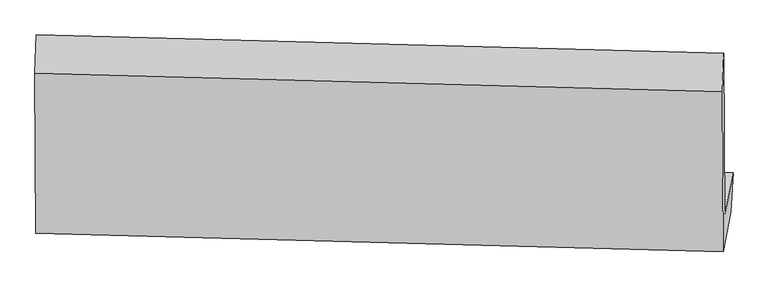
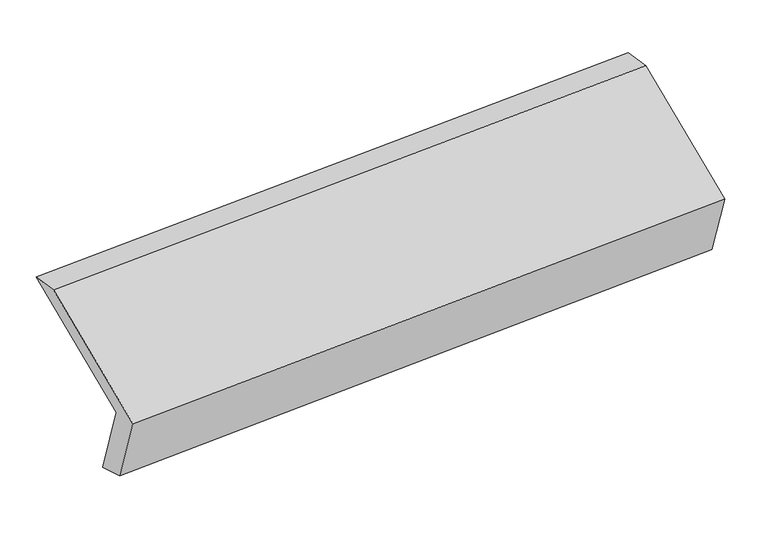
"""IFC4 building model written with IfcOpenShell, lengths in millimetres: proxy geometry."""

from ifc_helpers import new_model, si_unit, frame, origin, place, context, project, spatial, source, transform, mapped, element, save
from ifc_brep_helpers import plane_surface, spline_surface, advanced_brep


def generic_models_e6625f87(model_context):
    return source(origin(), model_context, "Body", "AdvancedBrep", [
        advanced_brep(
        [(-4286.7387679, -1494.3049403, 1423.7473513), (-4321.9381226, -1674.8372587, 1834.1863027), (-1413.3445833, -1753.4609499, 2049.0452925), (-1378.1452286, -1572.9286315, 1638.6063411), (-4295.1641766, -1656.2727862, 1479.9900479), (-1387.8894163, -1741.1094594, 1708.9728821), (-4328.6665433, -1828.1015027, 1870.641422), (-1420.1798415, -1906.7223059, 2085.4925196), (-4332.9620831, -1152.1680114, 2167.5836095), (-1423.8474606, -1230.8057882, 2382.4810918), (-4326.2924995, -989.6453394, 2135.1957806), (-1417.0624386, -1068.2862367, 2350.1017905)],
        [
            (0, 1),
            (1, 2),
            (2, 3),
            (3, 0),
            (4, 0),
            (3, 5),
            (5, 4),
            (6, 4),
            (5, 7),
            (7, 6),
            (8, 6),
            (7, 9),
            (9, 8),
            (10, 8),
            (9, 11),
            (11, 10),
            (1, 10),
            (11, 2),
        ],
        [
            plane_surface(frame((-4304.3384453, -1584.5710995, 1628.966827), z_axis=(-0.004967690987105946, 0.9155106760944249, 0.4022630035230505), x_axis=(-0.07826117652398193, -0.4013900753382589, 0.9125575026643685))),
            spline_surface(1, 1, [[(-4295.1641766, -1656.2727862, 1479.9900479), (-1387.8894163, -1741.1094594, 1708.9728821)], [(-4286.7387679, -1494.3049403, 1423.7473513), (-1378.1452286, -1572.9286315, 1638.6063411)]], [2, 2], [2, 2], [0.0, 1.0], [0.0, 1.0]),
            plane_surface(frame((-4311.91536, -1742.1871445, 1675.3157349), z_axis=(0.00496769098710944, -0.9155106760944074, -0.40226300352309047), x_axis=(0.07826117652396966, 0.4013900753382993, -0.9125575026643519))),
            plane_surface(frame((-4330.8143132, -1490.1347571, 2019.1125157), z_axis=(-0.07826117652397814, -0.401390075338298, 0.9125575026643518), x_axis=(0.004967690987118192, -0.9155106760944081, -0.4022630035230887))),
            plane_surface(frame((-4329.6272913, -1070.9066754, 2151.389695), z_axis=(-0.06690189842597419, 0.19764099724963488, 0.9779888405258879), x_axis=(-0.040909970565394645, -0.9799039885769899, 0.19522947389993395))),
            plane_surface(frame((-4324.1153111, -1332.2412991, 1984.6910417), z_axis=(0.078261176523974, 0.4013900753382596, -0.9125575026643691), x_axis=(-0.004967690987113694, 0.9155106760944249, 0.4022630035230504))),
            plane_surface(frame((-1406.7448282, -1545.5522286, 2035.7833196), z_axis=(0.9969205135292084, -0.026948272246569892, 0.07364292449098006), x_axis=(0.004967690987118192, -0.9155106760944081, -0.4022630035230887))),
            plane_surface(frame((-4315.2936989, -1465.8883065, 1818.557419), z_axis=(-0.9969159126563023, 0.026167214091260285, -0.07398607976744187), x_axis=(0.07826117652400719, 0.401390075338272, -0.9125575026643608))),
        ],
        [
            (0, [[1, 2, 3, 4]]),
            (1, [[5, -4, 6, 7]]),
            (2, [[8, -7, 9, 10]]),
            (3, [[11, -10, 12, 13]]),
            (4, [[14, -13, 15, 16]]),
            (5, [[17, -16, 18, -2]]),
            (6, [[-12, -9, -6, -3, -18, -15]]),
            (7, [[-1, -5, -8, -11, -14, -17]]),
        ],
    ),
    ])


if __name__ == "__main__":
    model = new_model("IFC4")
    model_context = context("Model", 3, world=origin())
    ifc_project = project(units=[si_unit("LENGTHUNIT", "METRE", prefix="MILLI")], contexts=[model_context])
    site = spatial("IfcSite", under=ifc_project)
    building = spatial("IfcBuilding", under=site)
    placement = place(None, origin())
    generic_models_shape = generic_models_e6625f87(model_context)
    element("IfcBuildingElementProxy", 1, Name="Generic Models", at=placement, inside=building, context=model_context, shape_type="MappedRepresentation", body=[
        mapped(generic_models_shape, transform((0.0, 0.0, 0.0), x_axis=(1.0, 0.0, 0.0), y_axis=(0.0, 1.0, 0.0), z_axis=(0.0, 0.0, 1.0))),
    ])
    save(model, "model.ifc")
